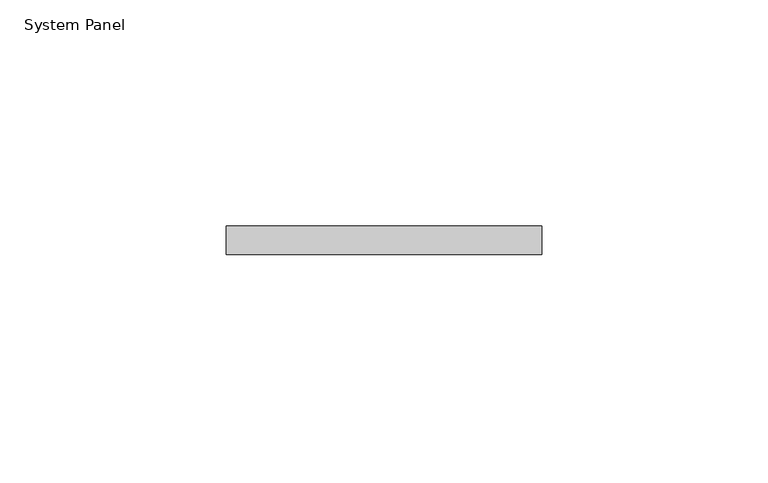
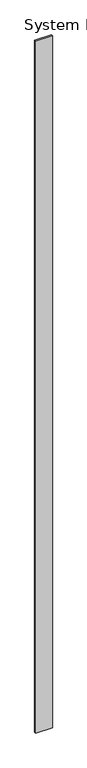
"""IFC4 building model written with IfcOpenShell, lengths in millimetres: plate geometry, System Panel."""

from ifc_helpers import new_model, si_unit, origin, origin_with_axes, place, context, project, spatial, polyline, outline, extrude, source, transform, mapped, element, save


def system_panel_e7370546(model_context):
    return source(origin(), model_context, "Body", "SweptSolid", [
        extrude(outline(polyline([(34.925, 0.0), (-34.925, 0.0), (-34.925, 6.35), (34.925, 6.35), (34.925, 0.0)])), origin_with_axes(), (0.0, 0.0, 1.0), 3048.0),
    ])


if __name__ == "__main__":
    model = new_model("IFC4")
    model_context = context("Model", 3, world=origin())
    ifc_project = project(units=[si_unit("LENGTHUNIT", "METRE", prefix="MILLI")], contexts=[model_context])
    site = spatial("IfcSite", under=ifc_project)
    building = spatial("IfcBuilding", under=site)
    placement = place(None, origin())
    system_panel_shape = system_panel_e7370546(model_context)
    element("IfcPlate", 1, ObjectType="System Panel", at=placement, inside=building, context=model_context, shape_type="MappedRepresentation", body=[
        mapped(system_panel_shape, transform((0.0, 0.0, 0.0), x_axis=(1.0, 0.0, 0.0), y_axis=(0.0, 1.0, 0.0), z_axis=(0.0, 0.0, 1.0))),
    ])
    save(model, "model.ifc")
